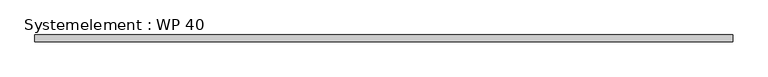
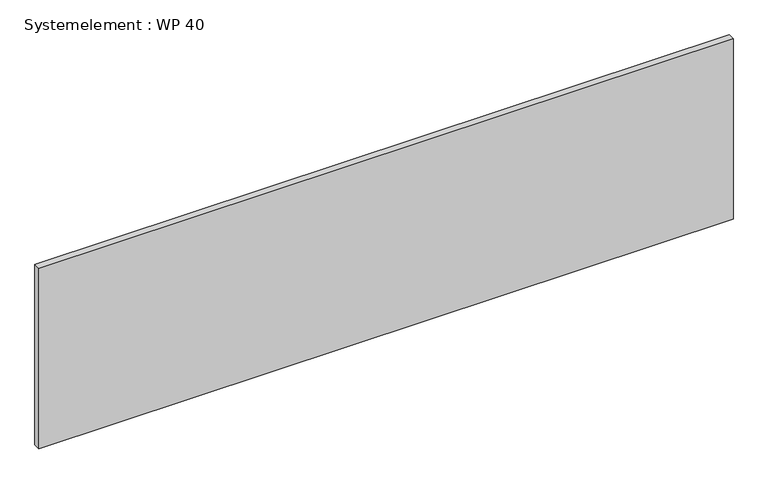
"""IFC4 building model written with IfcOpenShell, lengths in millimetres: plate geometry, Systemelement : WP 40."""

from ifc_helpers import new_model, si_unit, origin, origin_with_axes, place, context, project, spatial, polyline, outline, extrude, source, transform, mapped, element, save


def systemelement_wp_40_91dd1175(model_context):
    return source(origin(), model_context, "Body", "SweptSolid", [
        extrude(outline(polyline([(2000.0, -40.0), (-2000.0, -40.0), (-2000.0, 0.0), (2000.0, 0.0), (2000.0, -40.0)])), origin_with_axes(), (0.0, 0.0, 1.0), 1100.0),
    ])


if __name__ == "__main__":
    model = new_model("IFC4")
    model_context = context("Model", 3, world=origin())
    ifc_project = project(units=[si_unit("LENGTHUNIT", "METRE", prefix="MILLI")], contexts=[model_context])
    site = spatial("IfcSite", under=ifc_project)
    building = spatial("IfcBuilding", under=site)
    placement = place(None, origin())
    systemelement_wp_40_shape = systemelement_wp_40_91dd1175(model_context)
    element("IfcPlate", 1, ObjectType="Systemelement : WP 40", at=placement, inside=building, context=model_context, shape_type="MappedRepresentation", body=[
        mapped(systemelement_wp_40_shape, transform((0.0, 0.0, 0.0), x_axis=(1.0, 0.0, 0.0), y_axis=(0.0, 1.0, 0.0), z_axis=(0.0, 0.0, 1.0))),
    ])
    save(model, "model.ifc")
